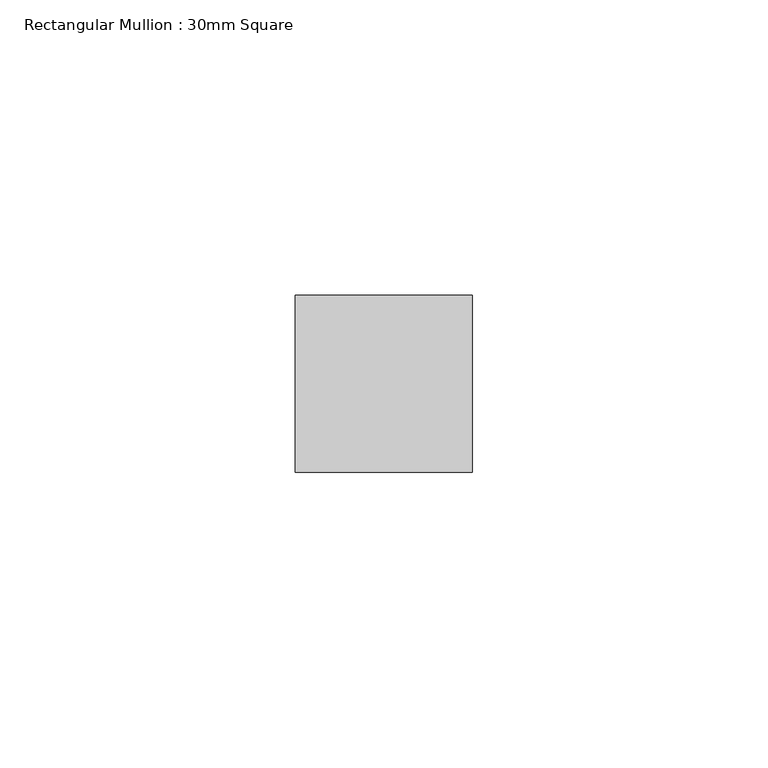
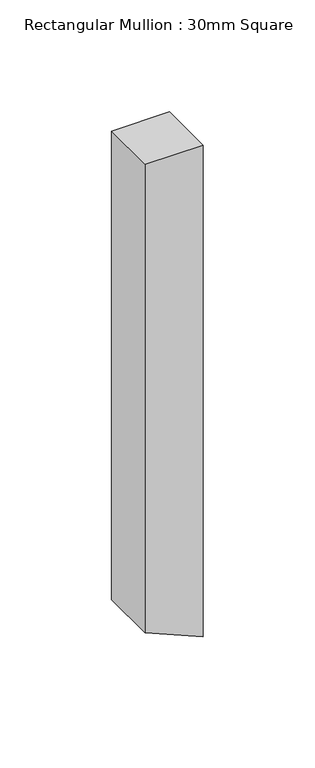
"""IFC4 building model written with IfcOpenShell, lengths in millimetres: member geometry, Rectangular Mullion : 30mm Square."""

import ifcopenshell
import ifcopenshell.guid

model = None  # the IFC model being written
_history = None  # IfcOwnerHistory: only IFC2X3 demands one
_inside = {}  # id of a spatial element -> (the spatial element, [elements in it])
_under = {}  # id of a project, library or spatial element -> (it, [spatial elements below it])
_declared = {}  # id of a project -> (the project, [libraries it declares])
_typed = {}  # id of a type object -> (the type object, [elements of that type])
_made_of = {}  # id of a material, layer set ... -> (it, [elements and type objects made of it])


def new_model(schema):
    """Start an empty IFC model of exactly this schema.

    Asked for "IFC4X3", IfcOpenShell would pick the latest addendum, in which some entities
    have other attributes; the version numbers below select the first issue.
    IFC2X3 requires an IfcOwnerHistory on every rooted entity: one is made here for all.
    """
    global model, _history
    if schema == "IFC4X3":
        model = ifcopenshell.file(schema_version=(4, 3, 0, 0))
    else:
        model = ifcopenshell.file(schema=schema)
    _inside.clear()
    _under.clear()
    _declared.clear()
    _typed.clear()
    _made_of.clear()
    _history = None
    if model.schema == "IFC2X3":
        org = make("IfcOrganization", Name="unknown")
        user = make(
            "IfcPersonAndOrganization",
            ThePerson=make("IfcPerson", FamilyName="unknown"),
            TheOrganization=org,
        )
        app = make(
            "IfcApplication",
            ApplicationDeveloper=org,
            Version="unknown",
            ApplicationFullName="unknown",
            ApplicationIdentifier="unknown",
        )
        _history = make(
            "IfcOwnerHistory",
            OwningUser=user,
            OwningApplication=app,
            ChangeAction="ADDED",
            CreationDate=0,
        )
    return model


def make(cls, **values):
    """One entity of the class cls with the attributes given. An attribute that is None is left unset."""
    return model.create_entity(
        cls, **{name: value for name, value in values.items() if value is not None}
    )


def rooted(cls, **values):
    """An entity with a GlobalId (a new one), such as an element, a storey or a relation."""
    return make(cls, GlobalId=ifcopenshell.guid.new(), OwnerHistory=_history, **values)


def si_unit(unit_type, name, prefix=None):
    """IfcSIUnit, for example si_unit("LENGTHUNIT", "METRE", prefix="MILLI")."""
    return make("IfcSIUnit", UnitType=unit_type, Prefix=prefix, Name=name)


def assignment(units):
    """IfcUnitAssignment: the units of a project."""
    return None if units is None else make("IfcUnitAssignment", Units=units)


def point(xyz):
    """IfcCartesianPoint."""
    return None if xyz is None else make("IfcCartesianPoint", Coordinates=xyz)


def direction(xyz):
    """IfcDirection."""
    return None if xyz is None else make("IfcDirection", DirectionRatios=xyz)


def frame(location, z_axis=None, x_axis=None):
    """IfcAxis2Placement3D, a coordinate frame: its origin and axes. An axis left out is left unset."""
    return make(
        "IfcAxis2Placement3D",
        Location=point(location),
        Axis=direction(z_axis),
        RefDirection=direction(x_axis),
    )


def frame_2d(location, x_axis=None):
    """IfcAxis2Placement2D, a coordinate frame in the plane: its origin and x axis."""
    return make(
        "IfcAxis2Placement2D", Location=point(location), RefDirection=direction(x_axis)
    )


def origin():
    """The frame at (0, 0, 0) with its axes left unset."""
    return frame((0.0, 0.0, 0.0))


def place(relative_to, where):
    """IfcLocalPlacement: puts the frame where relative to a parent placement (None: the world)."""
    return make(
        "IfcLocalPlacement", PlacementRelTo=relative_to, RelativePlacement=where
    )


def context(
    kind, dimensions, precision=None, world=None, true_north=None, identifier=None
):
    """IfcGeometricRepresentationContext, for example the 3D "Model" context."""
    return make(
        "IfcGeometricRepresentationContext",
        ContextIdentifier=identifier,
        ContextType=kind,
        CoordinateSpaceDimension=dimensions,
        Precision=precision,
        WorldCoordinateSystem=world,
        TrueNorth=true_north,
    )


def project(units=None, contexts=None):
    """IfcProject with its units and contexts."""
    return rooted(
        "IfcProject",
        Name="project",
        RepresentationContexts=contexts,
        UnitsInContext=assignment(units),
    )


def spatial(cls, under=None, at=None, **own):
    """A site, building, storey or space (cls), placed at a placement, below another one or the project."""
    s = rooted(cls, ObjectPlacement=at, **own)
    if under is not None:
        _under.setdefault(under.id(), (under, []))[1].append(s)
    return s


def polyline(points):
    """IfcPolyline through the points."""
    return make("IfcPolyline", Points=[point(p) for p in points])


def circle_curve(where, radius):
    """IfcCircle in the frame where."""
    return make("IfcCircle", Position=where, Radius=radius)


def trimmed(basis, trim1, trim2, sense, master):
    """IfcTrimmedCurve: the piece of a basis curve between two trims."""
    return make(
        "IfcTrimmedCurve",
        BasisCurve=basis,
        Trim1=trim1,
        Trim2=trim2,
        SenseAgreement=sense,
        MasterRepresentation=master,
    )


def segment(curve, same_sense, transition):
    """IfcCompositeCurveSegment."""
    return make(
        "IfcCompositeCurveSegment",
        Transition=transition,
        SameSense=same_sense,
        ParentCurve=curve,
    )


def composite_curve(segments, self_intersect=None):
    """IfcCompositeCurve: segments joined end to end."""
    return make("IfcCompositeCurve", Segments=segments, SelfIntersect=self_intersect)


def outline(outer, holes=None, kind="AREA"):
    """IfcArbitraryClosedProfileDef: a profile drawn as a closed curve; with holes, ...WithVoids."""
    if holes is None:
        return make("IfcArbitraryClosedProfileDef", ProfileType=kind, OuterCurve=outer)
    return make(
        "IfcArbitraryProfileDefWithVoids",
        ProfileType=kind,
        OuterCurve=outer,
        InnerCurves=holes,
    )


def extrude(swept, where, along, depth):
    """IfcExtrudedAreaSolid: the profile swept, set in the frame where, extruded along a direction by depth."""
    return make(
        "IfcExtrudedAreaSolid",
        SweptArea=swept,
        Position=where,
        ExtrudedDirection=direction(along),
        Depth=depth,
    )


def shape(context_of_items, identifier, shape_type, items):
    """IfcShapeRepresentation: the items that make up one representation, for example the "Body"."""
    return make(
        "IfcShapeRepresentation",
        ContextOfItems=context_of_items,
        RepresentationIdentifier=identifier,
        RepresentationType=shape_type,
        Items=items,
    )


def source(mapping_origin, context_of_items, identifier, shape_type, items):
    """IfcRepresentationMap: a shape defined once, which mapped items show again and again."""
    return make(
        "IfcRepresentationMap",
        MappingOrigin=mapping_origin,
        MappedRepresentation=shape(context_of_items, identifier, shape_type, items),
    )


def transform(
    local_origin,
    x_axis=None,
    y_axis=None,
    z_axis=None,
    scale=None,
    scale2=None,
    scale3=None,
    uniform=True,
):
    """IfcCartesianTransformationOperator3D, or its non-uniform kind. x_axis, y_axis, z_axis: its Axis1, 2, 3."""
    if uniform:
        return make(
            "IfcCartesianTransformationOperator3D",
            Axis1=direction(x_axis),
            Axis2=direction(y_axis),
            LocalOrigin=point(local_origin),
            Scale=scale,
            Axis3=direction(z_axis),
        )
    return make(
        "IfcCartesianTransformationOperator3DnonUniform",
        Axis1=direction(x_axis),
        Axis2=direction(y_axis),
        LocalOrigin=point(local_origin),
        Scale=scale,
        Axis3=direction(z_axis),
        Scale2=scale2,
        Scale3=scale3,
    )


def mapped(mapping_source, mapping_target):
    """IfcMappedItem: shows the shape of a source again, moved by a transform."""
    return make(
        "IfcMappedItem", MappingSource=mapping_source, MappingTarget=mapping_target
    )


def made_of(thing, what):
    """Note that an element or type object is made of a material, layer set ...; save() writes the relation."""
    if what is not None:
        _made_of.setdefault(what.id(), (what, []))[1].append(thing)
    return thing


def element(
    cls,
    number,
    at=None,
    inside=None,
    cuts=None,
    type_object=None,
    material=None,
    context=None,
    identifier="Body",
    shape_type=None,
    held_by="IfcProductDefinitionShape",
    body=None,
    shapes=None,
    **own,
):
    """One element of the class cls, such as IfcWall. Its Tag is "e" and its number.

    at: its placement. inside: the storey or other place that contains it. cuts: it is an
    opening in that element (IfcRelVoidsElement). A single representation is given by context,
    identifier, shape_type and body (its items); several are given by shapes. held_by: the class
    of the entity that holds the representations. save() writes the other relations.
    """
    e = rooted(cls, Tag="e%d" % number, ObjectPlacement=at, **own)
    if body is not None:
        shapes = [shape(context, identifier, shape_type, body)]
    if shapes is not None:
        e.Representation = make(held_by, Representations=shapes)
    if inside is not None:
        _inside.setdefault(inside.id(), (inside, []))[1].append(e)
    if cuts is not None:
        rooted(
            "IfcRelVoidsElement", RelatingBuildingElement=cuts, RelatedOpeningElement=e
        )
    if type_object is not None:
        _typed.setdefault(type_object.id(), (type_object, []))[1].append(e)
    return made_of(e, material)


def aggregate(whole, parts):
    """IfcRelAggregates: a whole, such as a stair, and the parts it consists of."""
    return rooted("IfcRelAggregates", RelatingObject=whole, RelatedObjects=parts)


def save(model, path):
    """Write the relations noted so far, then the file.

    IfcRelAggregates (storeys below a building ...), IfcRelContainedInSpatialStructure (elements
    in a storey), IfcRelDefinesByType, IfcRelAssociatesMaterial and IfcRelDeclares: one each for
    every whole, place, type object, material and project.
    """
    for whole, parts in _under.values():
        aggregate(whole, parts)
    for where, things in _inside.values():
        rooted(
            "IfcRelContainedInSpatialStructure",
            RelatedElements=things,
            RelatingStructure=where,
        )
    for kind, things in _typed.values():
        rooted("IfcRelDefinesByType", RelatedObjects=things, RelatingType=kind)
    for what, things in _made_of.values():
        rooted("IfcRelAssociatesMaterial", RelatedObjects=things, RelatingMaterial=what)
    for by, libraries in _declared.values():
        rooted("IfcRelDeclares", RelatingContext=by, RelatedDefinitions=libraries)
    model.write(path)


def rectangular_mullion_30mm_square_4161829b(model_context):
    return source(origin(), model_context, "Body", "SweptSolid", [
        extrude(outline(composite_curve([segment(polyline([(0.0, 15.0), (0.0, -15.0), (-255.7417219, -15.0)]), True, "CONTINUOUS"), segment(trimmed(circle_curve(frame_2d((-4213.4685979, -1667.5211069)), 4288.8725831), [point((-255.7417219, -15.0))], [point((-268.4019624, 15.0))], True, "CARTESIAN"), True, "CONTINUOUS"), segment(polyline([(-268.4019624, 15.0), (0.0, 15.0)]), True, "CONTINUOUS")], self_intersect=False)), frame((0.0, -15.0, 0.0), z_axis=(0.0, 1.0, 0.0), x_axis=(0.0, 0.0, 1.0)), (0.0, 0.0, 1.0), 30.0),
    ])


if __name__ == "__main__":
    model = new_model("IFC4")
    model_context = context("Model", 3, world=origin())
    ifc_project = project(units=[si_unit("LENGTHUNIT", "METRE", prefix="MILLI")], contexts=[model_context])
    site = spatial("IfcSite", under=ifc_project)
    building = spatial("IfcBuilding", under=site)
    placement = place(None, origin())
    rectangular_mullion_30mm_square_shape = rectangular_mullion_30mm_square_4161829b(model_context)
    element("IfcMember", 1, ObjectType="Rectangular Mullion : 30mm Square", at=placement, inside=building, context=model_context, shape_type="MappedRepresentation", body=[
        mapped(rectangular_mullion_30mm_square_shape, transform((0.0, 0.0, 0.0), x_axis=(1.0, 0.0, 0.0), y_axis=(0.0, 1.0, 0.0), z_axis=(0.0, 0.0, 1.0))),
    ])
    save(model, "model.ifc")
